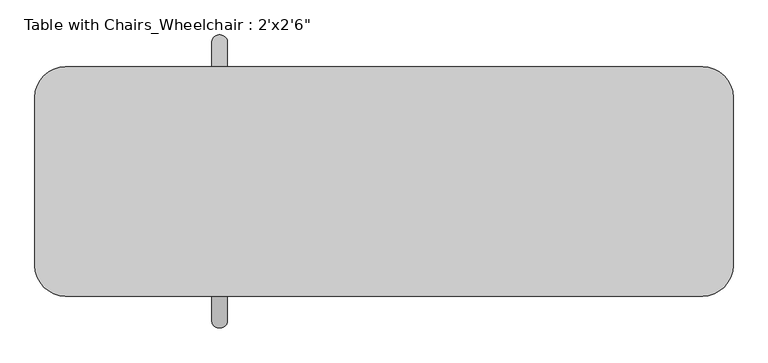
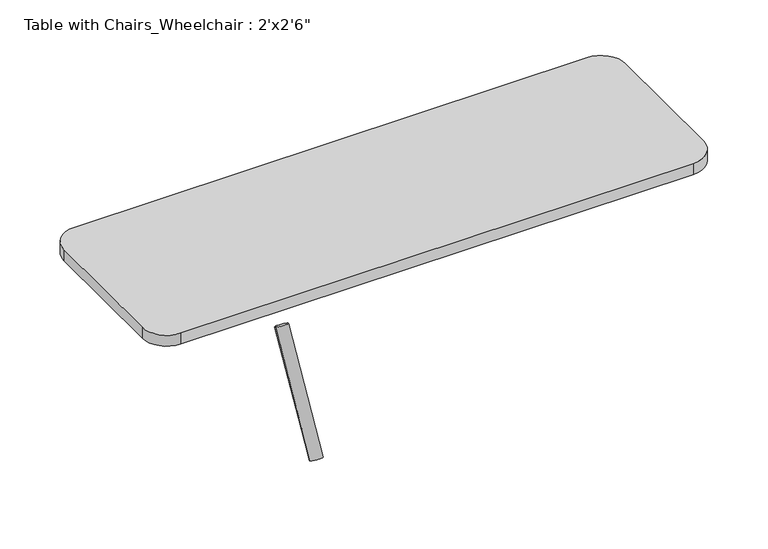
"""IFC4 building model written with IfcOpenShell, lengths in millimetres: furniture geometry."""

from ifc_helpers import new_model, si_unit, point, frame, frame_2d, origin, place, context, project, spatial, polyline, circle_curve, trimmed, segment, composite_curve, outline, extrude, source, transform, mapped, element, save


def furniture_43cc60b3(model_context):
    return source(origin(), model_context, "Body", "SweptSolid", [
        extrude(outline(composite_curve([segment(trimmed(circle_curve(frame_2d((0.0, -25.4)), 25.4), [point((0.0, -50.8))], [point((0.0, 0.0))], False, "CARTESIAN"), True, "CONTINUOUS"), segment(trimmed(circle_curve(frame_2d((0.0, -25.4)), 25.4), [point((0.0, 0.0))], [point((0.0, -50.8))], False, "CARTESIAN"), True, "CONTINUOUS")], self_intersect=False)), frame((25.4, 464.7106025, 342.6815006), z_axis=(0.0, -0.49999999999999983, 0.8660254037844388), x_axis=(0.0, -0.8660254037844388, -0.49999999999999983)), (0.0, 0.0, 1.0), 501.4645704),
        extrude(outline(composite_curve([segment(trimmed(circle_curve(frame_2d((0.0, -25.4)), 25.4), [point((0.0, -50.8))], [point((0.0, 0.0))], False, "CARTESIAN"), True, "CONTINUOUS"), segment(trimmed(circle_curve(frame_2d((0.0, -25.4)), 25.4), [point((0.0, 0.0))], [point((0.0, -50.8))], False, "CARTESIAN"), True, "CONTINUOUS")], self_intersect=False)), frame((25.4, -464.7106025, 342.6815006), z_axis=(0.0, 0.49999999999999983, 0.8660254037844388), x_axis=(0.0, -0.8660254037844388, 0.49999999999999983)), (0.0, 0.0, 1.0), 498.7793381),
        extrude(outline(composite_curve([segment(trimmed(circle_curve(frame_2d((1604.3594769, 279.4)), 101.6), [point((1604.3594769, 381.0))], [point((1705.9594769, 279.4))], False, "CARTESIAN"), True, "CONTINUOUS"), segment(polyline([(1705.9594769, 279.4), (1705.9594769, -279.4)]), True, "CONTINUOUS"), segment(trimmed(circle_curve(frame_2d((1604.3594769, -279.4)), 101.6), [point((1705.9594769, -279.4))], [point((1604.3594769, -381.0))], False, "CARTESIAN"), True, "CONTINUOUS"), segment(polyline([(1604.3594769, -381.0), (-511.6575966, -381.0)]), True, "CONTINUOUS"), segment(trimmed(circle_curve(frame_2d((-511.6575966, -279.4)), 101.6), [point((-511.6575966, -381.0))], [point((-613.2575966, -279.4))], False, "CARTESIAN"), True, "CONTINUOUS"), segment(polyline([(-613.2575966, -279.4), (-613.2575966, 279.4)]), True, "CONTINUOUS"), segment(trimmed(circle_curve(frame_2d((-511.6575966, 279.4)), 101.6), [point((-613.2575966, 279.4))], [point((-511.6575966, 381.0))], False, "CARTESIAN"), True, "CONTINUOUS"), segment(polyline([(-511.6575966, 381.0), (1604.3594769, 381.0)]), True, "CONTINUOUS")], self_intersect=False)), frame((0.0, 0.0, 971.7295322), z_axis=(0.0, 0.0, 1.0), x_axis=(1.0, 0.0, 0.0)), (0.0, 0.0, 1.0), 47.5487562),
    ])


if __name__ == "__main__":
    model = new_model("IFC4")
    model_context = context("Model", 3, world=origin())
    ifc_project = project(units=[si_unit("LENGTHUNIT", "METRE", prefix="MILLI")], contexts=[model_context])
    site = spatial("IfcSite", under=ifc_project)
    building = spatial("IfcBuilding", under=site)
    placement = place(None, origin())
    furniture_shape = furniture_43cc60b3(model_context)
    element("IfcFurniture", 1, ObjectType="Table with Chairs_Wheelchair : 2'x2'6\"", at=placement, inside=building, context=model_context, shape_type="MappedRepresentation", body=[
        mapped(furniture_shape, transform((0.0, 0.0, 0.0), x_axis=(1.0, 0.0, 0.0), y_axis=(0.0, 1.0, 0.0), z_axis=(0.0, 0.0, 1.0))),
    ])
    save(model, "model.ifc")
